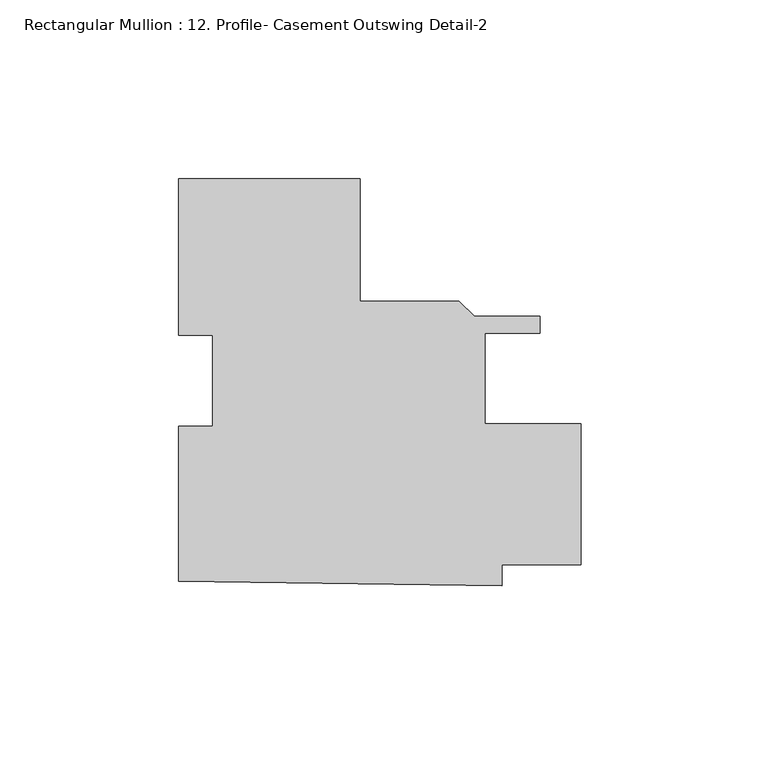
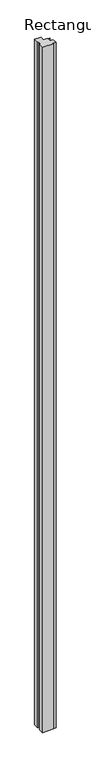
"""IFC4 building model written with IfcOpenShell, lengths in millimetres: member geometry, Rectangular Mullion : 12. Profile- Casement Outswing Detail-2."""

from ifc_helpers import new_model, si_unit, frame, origin, place, context, project, spatial, polyline, outline, extrude, source, transform, mapped, element, save


def rectangular_mullion_12_profile_casement_outswing_detail_2_8f569ecc(model_context):
    return source(origin(), model_context, "Body", "SweptSolid", [
        extrude(outline(polyline([(-23.4940464, -56.7477772), (-23.4940464, -13.3491789), (-13.9695885, -13.3491789), (-13.9695885, 12.1385195), (-23.4886387, 12.1385195), (-23.4886387, 55.9582458), (27.324467, 55.9582458), (27.324467, 21.6816666), (55.0633453, 21.6816666), (59.3305453, 17.4144666), (77.7565608, 17.4144666), (77.7565608, 12.7154664), (62.249467, 12.7154664), (62.249467, -12.6845336), (89.2429112, -12.6845336), (89.2429112, -52.0545334), (67.0179112, -52.0545334), (67.0179112, -57.9397696), (-23.4940464, -56.7477772)])), frame((0.0, 0.0, -6000.75), z_axis=(0.0, 0.0, 1.0), x_axis=(1.0, 0.0, 0.0)), (0.0, 0.0, 1.0), 6000.75),
    ])


if __name__ == "__main__":
    model = new_model("IFC4")
    model_context = context("Model", 3, world=origin())
    ifc_project = project(units=[si_unit("LENGTHUNIT", "METRE", prefix="MILLI")], contexts=[model_context])
    site = spatial("IfcSite", under=ifc_project)
    building = spatial("IfcBuilding", under=site)
    placement = place(None, origin())
    rectangular_mullion_12_profile_casement_outswing_detail_2_shape = rectangular_mullion_12_profile_casement_outswing_detail_2_8f569ecc(model_context)
    element("IfcMember", 1, ObjectType="Rectangular Mullion : 12. Profile- Casement Outswing Detail-2", at=placement, inside=building, context=model_context, shape_type="MappedRepresentation", body=[
        mapped(rectangular_mullion_12_profile_casement_outswing_detail_2_shape, transform((0.0, 0.0, 0.0), x_axis=(1.0, 0.0, 0.0), y_axis=(0.0, 1.0, 0.0), z_axis=(0.0, 0.0, 1.0))),
    ])
    save(model, "model.ifc")
